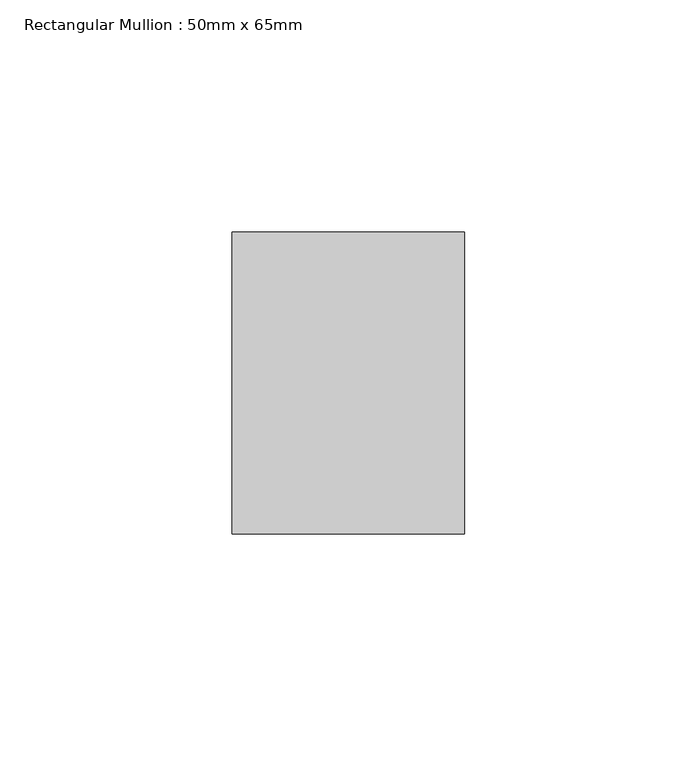
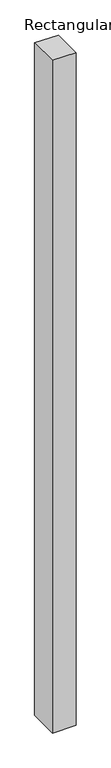
"""IFC4 building model written with IfcOpenShell, lengths in millimetres: member geometry, Rectangular Mullion : 50mm x 65mm."""

import ifcopenshell
import ifcopenshell.guid

model = None  # the IFC model being written
_history = None  # IfcOwnerHistory: only IFC2X3 demands one
_inside = {}  # id of a spatial element -> (the spatial element, [elements in it])
_under = {}  # id of a project, library or spatial element -> (it, [spatial elements below it])
_declared = {}  # id of a project -> (the project, [libraries it declares])
_typed = {}  # id of a type object -> (the type object, [elements of that type])
_made_of = {}  # id of a material, layer set ... -> (it, [elements and type objects made of it])


def new_model(schema):
    """Start an empty IFC model of exactly this schema.

    Asked for "IFC4X3", IfcOpenShell would pick the latest addendum, in which some entities
    have other attributes; the version numbers below select the first issue.
    IFC2X3 requires an IfcOwnerHistory on every rooted entity: one is made here for all.
    """
    global model, _history
    if schema == "IFC4X3":
        model = ifcopenshell.file(schema_version=(4, 3, 0, 0))
    else:
        model = ifcopenshell.file(schema=schema)
    _inside.clear()
    _under.clear()
    _declared.clear()
    _typed.clear()
    _made_of.clear()
    _history = None
    if model.schema == "IFC2X3":
        org = make("IfcOrganization", Name="unknown")
        user = make(
            "IfcPersonAndOrganization",
            ThePerson=make("IfcPerson", FamilyName="unknown"),
            TheOrganization=org,
        )
        app = make(
            "IfcApplication",
            ApplicationDeveloper=org,
            Version="unknown",
            ApplicationFullName="unknown",
            ApplicationIdentifier="unknown",
        )
        _history = make(
            "IfcOwnerHistory",
            OwningUser=user,
            OwningApplication=app,
            ChangeAction="ADDED",
            CreationDate=0,
        )
    return model


def make(cls, **values):
    """One entity of the class cls with the attributes given. An attribute that is None is left unset."""
    return model.create_entity(
        cls, **{name: value for name, value in values.items() if value is not None}
    )


def rooted(cls, **values):
    """An entity with a GlobalId (a new one), such as an element, a storey or a relation."""
    return make(cls, GlobalId=ifcopenshell.guid.new(), OwnerHistory=_history, **values)


def si_unit(unit_type, name, prefix=None):
    """IfcSIUnit, for example si_unit("LENGTHUNIT", "METRE", prefix="MILLI")."""
    return make("IfcSIUnit", UnitType=unit_type, Prefix=prefix, Name=name)


def assignment(units):
    """IfcUnitAssignment: the units of a project."""
    return None if units is None else make("IfcUnitAssignment", Units=units)


def point(xyz):
    """IfcCartesianPoint."""
    return None if xyz is None else make("IfcCartesianPoint", Coordinates=xyz)


def direction(xyz):
    """IfcDirection."""
    return None if xyz is None else make("IfcDirection", DirectionRatios=xyz)


def frame(location, z_axis=None, x_axis=None):
    """IfcAxis2Placement3D, a coordinate frame: its origin and axes. An axis left out is left unset."""
    return make(
        "IfcAxis2Placement3D",
        Location=point(location),
        Axis=direction(z_axis),
        RefDirection=direction(x_axis),
    )


def origin():
    """The frame at (0, 0, 0) with its axes left unset."""
    return frame((0.0, 0.0, 0.0))


def place(relative_to, where):
    """IfcLocalPlacement: puts the frame where relative to a parent placement (None: the world)."""
    return make(
        "IfcLocalPlacement", PlacementRelTo=relative_to, RelativePlacement=where
    )


def context(
    kind, dimensions, precision=None, world=None, true_north=None, identifier=None
):
    """IfcGeometricRepresentationContext, for example the 3D "Model" context."""
    return make(
        "IfcGeometricRepresentationContext",
        ContextIdentifier=identifier,
        ContextType=kind,
        CoordinateSpaceDimension=dimensions,
        Precision=precision,
        WorldCoordinateSystem=world,
        TrueNorth=true_north,
    )


def project(units=None, contexts=None):
    """IfcProject with its units and contexts."""
    return rooted(
        "IfcProject",
        Name="project",
        RepresentationContexts=contexts,
        UnitsInContext=assignment(units),
    )


def spatial(cls, under=None, at=None, **own):
    """A site, building, storey or space (cls), placed at a placement, below another one or the project."""
    s = rooted(cls, ObjectPlacement=at, **own)
    if under is not None:
        _under.setdefault(under.id(), (under, []))[1].append(s)
    return s


def polyline(points):
    """IfcPolyline through the points."""
    return make("IfcPolyline", Points=[point(p) for p in points])


def outline(outer, holes=None, kind="AREA"):
    """IfcArbitraryClosedProfileDef: a profile drawn as a closed curve; with holes, ...WithVoids."""
    if holes is None:
        return make("IfcArbitraryClosedProfileDef", ProfileType=kind, OuterCurve=outer)
    return make(
        "IfcArbitraryProfileDefWithVoids",
        ProfileType=kind,
        OuterCurve=outer,
        InnerCurves=holes,
    )


def extrude(swept, where, along, depth):
    """IfcExtrudedAreaSolid: the profile swept, set in the frame where, extruded along a direction by depth."""
    return make(
        "IfcExtrudedAreaSolid",
        SweptArea=swept,
        Position=where,
        ExtrudedDirection=direction(along),
        Depth=depth,
    )


def shape(context_of_items, identifier, shape_type, items):
    """IfcShapeRepresentation: the items that make up one representation, for example the "Body"."""
    return make(
        "IfcShapeRepresentation",
        ContextOfItems=context_of_items,
        RepresentationIdentifier=identifier,
        RepresentationType=shape_type,
        Items=items,
    )


def source(mapping_origin, context_of_items, identifier, shape_type, items):
    """IfcRepresentationMap: a shape defined once, which mapped items show again and again."""
    return make(
        "IfcRepresentationMap",
        MappingOrigin=mapping_origin,
        MappedRepresentation=shape(context_of_items, identifier, shape_type, items),
    )


def transform(
    local_origin,
    x_axis=None,
    y_axis=None,
    z_axis=None,
    scale=None,
    scale2=None,
    scale3=None,
    uniform=True,
):
    """IfcCartesianTransformationOperator3D, or its non-uniform kind. x_axis, y_axis, z_axis: its Axis1, 2, 3."""
    if uniform:
        return make(
            "IfcCartesianTransformationOperator3D",
            Axis1=direction(x_axis),
            Axis2=direction(y_axis),
            LocalOrigin=point(local_origin),
            Scale=scale,
            Axis3=direction(z_axis),
        )
    return make(
        "IfcCartesianTransformationOperator3DnonUniform",
        Axis1=direction(x_axis),
        Axis2=direction(y_axis),
        LocalOrigin=point(local_origin),
        Scale=scale,
        Axis3=direction(z_axis),
        Scale2=scale2,
        Scale3=scale3,
    )


def mapped(mapping_source, mapping_target):
    """IfcMappedItem: shows the shape of a source again, moved by a transform."""
    return make(
        "IfcMappedItem", MappingSource=mapping_source, MappingTarget=mapping_target
    )


def made_of(thing, what):
    """Note that an element or type object is made of a material, layer set ...; save() writes the relation."""
    if what is not None:
        _made_of.setdefault(what.id(), (what, []))[1].append(thing)
    return thing


def element(
    cls,
    number,
    at=None,
    inside=None,
    cuts=None,
    type_object=None,
    material=None,
    context=None,
    identifier="Body",
    shape_type=None,
    held_by="IfcProductDefinitionShape",
    body=None,
    shapes=None,
    **own,
):
    """One element of the class cls, such as IfcWall. Its Tag is "e" and its number.

    at: its placement. inside: the storey or other place that contains it. cuts: it is an
    opening in that element (IfcRelVoidsElement). A single representation is given by context,
    identifier, shape_type and body (its items); several are given by shapes. held_by: the class
    of the entity that holds the representations. save() writes the other relations.
    """
    e = rooted(cls, Tag="e%d" % number, ObjectPlacement=at, **own)
    if body is not None:
        shapes = [shape(context, identifier, shape_type, body)]
    if shapes is not None:
        e.Representation = make(held_by, Representations=shapes)
    if inside is not None:
        _inside.setdefault(inside.id(), (inside, []))[1].append(e)
    if cuts is not None:
        rooted(
            "IfcRelVoidsElement", RelatingBuildingElement=cuts, RelatedOpeningElement=e
        )
    if type_object is not None:
        _typed.setdefault(type_object.id(), (type_object, []))[1].append(e)
    return made_of(e, material)


def aggregate(whole, parts):
    """IfcRelAggregates: a whole, such as a stair, and the parts it consists of."""
    return rooted("IfcRelAggregates", RelatingObject=whole, RelatedObjects=parts)


def save(model, path):
    """Write the relations noted so far, then the file.

    IfcRelAggregates (storeys below a building ...), IfcRelContainedInSpatialStructure (elements
    in a storey), IfcRelDefinesByType, IfcRelAssociatesMaterial and IfcRelDeclares: one each for
    every whole, place, type object, material and project.
    """
    for whole, parts in _under.values():
        aggregate(whole, parts)
    for where, things in _inside.values():
        rooted(
            "IfcRelContainedInSpatialStructure",
            RelatedElements=things,
            RelatingStructure=where,
        )
    for kind, things in _typed.values():
        rooted("IfcRelDefinesByType", RelatedObjects=things, RelatingType=kind)
    for what, things in _made_of.values():
        rooted("IfcRelAssociatesMaterial", RelatedObjects=things, RelatingMaterial=what)
    for by, libraries in _declared.values():
        rooted("IfcRelDeclares", RelatingContext=by, RelatedDefinitions=libraries)
    model.write(path)


def rectangular_mullion_50mm_x_65mm_7c293274(model_context):
    return source(origin(), model_context, "Body", "SweptSolid", [
        extrude(outline(polyline([(-32.5, 0.2664482), (32.5, -0.2664482), (32.5, -1499.6461202), (-32.5, -1500.3534618), (-32.5, 0.2664482)])), frame((-25.0, 0.0, 0.0), z_axis=(1.0, 0.0, 0.0), x_axis=(0.0, 1.0, 0.0)), (0.0, 0.0, 1.0), 50.0),
    ])


if __name__ == "__main__":
    model = new_model("IFC4")
    model_context = context("Model", 3, world=origin())
    ifc_project = project(units=[si_unit("LENGTHUNIT", "METRE", prefix="MILLI")], contexts=[model_context])
    site = spatial("IfcSite", under=ifc_project)
    building = spatial("IfcBuilding", under=site)
    placement = place(None, origin())
    rectangular_mullion_50mm_x_65mm_shape = rectangular_mullion_50mm_x_65mm_7c293274(model_context)
    element("IfcMember", 1, ObjectType="Rectangular Mullion : 50mm x 65mm", at=placement, inside=building, context=model_context, shape_type="MappedRepresentation", body=[
        mapped(rectangular_mullion_50mm_x_65mm_shape, transform((0.0, 0.0, 0.0), x_axis=(1.0, 0.0, 0.0), y_axis=(0.0, 1.0, 0.0), z_axis=(0.0, 0.0, 1.0))),
    ])
    save(model, "model.ifc")
